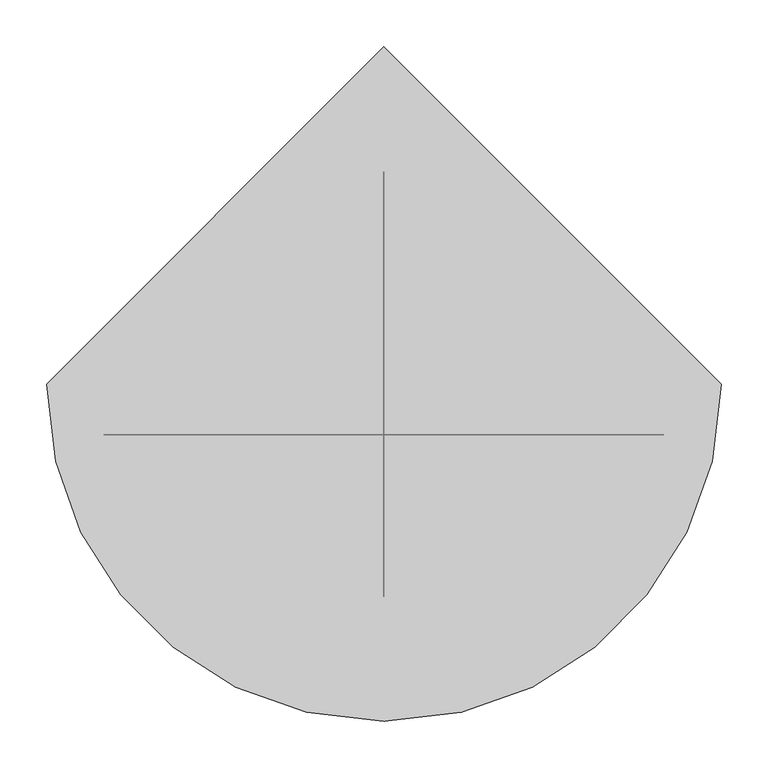
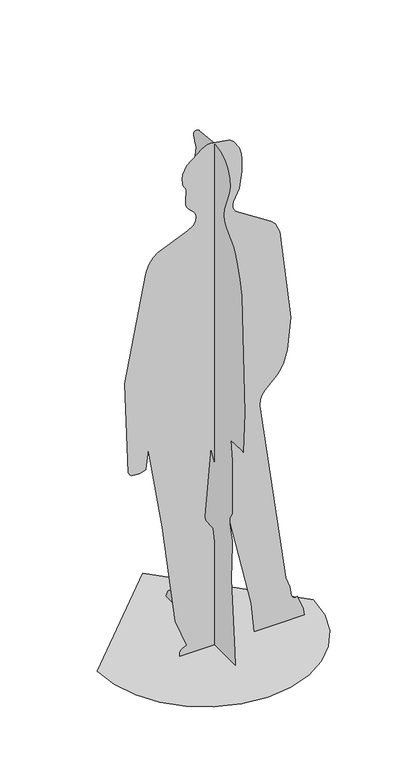
"""IFC4 building model written with IfcOpenShell, lengths in millimetres: proxy geometry."""

from ifc_helpers import new_model, si_unit, origin, place, context, project, spatial, triangles, source, transform, mapped, element, save


def entourage_0394f7b6(model_context):
    return source(origin(), model_context, "Body", "Tessellation", [
        triangles([(-117.149826, -54.2192196, 0.0), (-117.1651776, -54.2192196, 5.9668874), (-116.2257182, -54.2192196, 11.2908329), (-114.1990069, -54.2192196, 16.0246146), (-110.9487874, -54.2192196, 20.2200526), (-106.3426369, -54.2192196, 23.9299233), (-92.5232224, -54.2192196, 30.1060089), (-131.4701638, -54.2192196, 129.0202679), (-175.1604748, -54.2192196, 475.7580242), (-222.3821928, -54.2192196, 767.9406984), (-230.1656203, -54.2192196, 699.5134071), (-235.7141188, -54.2192196, 696.8034708), (-252.8135111, -54.2192196, 693.0705591), (-271.5672719, -54.2192196, 693.4227179), (-279.1846849, -54.2192196, 695.8179205), (-284.3598959, -54.2192196, 700.0603941), (-288.7942728, -54.2192196, 709.0155161), (-300.0380814, -54.2192196, 1027.779562), (-230.6060912, -54.2192196, 1391.1560738), (-226.4231343, -54.2192196, 1402.4037884), (-221.6912647, -54.2192196, 1413.4718628), (-216.4584809, -54.2192196, 1423.8837273), (-210.7698747, -54.2192196, 1433.1670269), (-204.6734445, -54.2192196, 1440.846936), (-189.6343552, -54.2192196, 1451.6252026), (-89.8842756, -54.2192196, 1494.9825851), (-71.747551, -54.2192196, 1507.2129433), (-63.0092944, -54.2192196, 1520.5333511), (-61.6725483, -54.2192196, 1534.6925159), (-63.8671908, -54.2192196, 1545.3268959), (-68.5856165, -54.2192196, 1553.4059086), (-87.7951952, -54.2192196, 1572.0070988), (-92.5232224, -54.2192196, 1579.5592541), (-95.9145034, -54.2192196, 1589.6917751), (-97.2061397, -54.2192196, 1598.308255), (-95.4740325, -54.2192196, 1641.5378838), (-96.3319289, -54.2192196, 1644.515609), (-97.9843898, -54.2192196, 1647.8886589), (-100.1204967, -54.2192196, 1651.4987583), (-102.4302848, -54.2192196, 1655.1874866), (-104.5999743, -54.2192196, 1658.7975861), (-106.3205634, -54.2192196, 1662.170636), (-107.2792258, -54.2192196, 1665.1483612), (-108.4230876, -54.2192196, 1683.4308208), (-105.9731827, -54.2192196, 1699.5696613), (-100.5907078, -54.2192196, 1713.7230125), (-92.9406479, -54.2192196, 1726.0522018), (-41.9073575, -54.2192196, 1768.6830299), (-23.8378005, -54.2192196, 1776.433865), (-13.1083432, -54.2192196, 1778.0000484), (45.7765254, -54.2192196, 1768.2972977), (52.0927097, -54.2192196, 1765.4942711), (63.2559136, -54.2192196, 1755.9912174), (81.7812909, -54.2192196, 1728.0616722), (88.7452099, -54.2192196, 1704.6000229), (91.0789973, -54.2192196, 1685.137112), (90.9475282, -54.2192196, 1642.2940876), (81.6066376, -54.2192196, 1585.4628181), (62.4047347, -54.2192196, 1543.9670952), (60.537325, -54.2192196, 1533.9496834), (60.9470793, -54.2192196, 1523.4841885), (69.4089674, -54.2192196, 1508.7943874), (187.9492654, -54.2192196, 1431.6201736), (202.6112339, -54.2192196, 1417.2355865), (217.8863916, -54.2192196, 1383.1912983), (254.1089808, -54.2192196, 1069.0535688), (242.364258, -54.2192196, 957.3562443), (229.1733843, -54.2192196, 912.5566532), (220.0531925, -54.2192196, 895.7642916), (208.0071436, -54.2192196, 880.6839621), (194.4218718, -54.2192196, 866.7791422), (180.6849923, -54.2192196, 853.5153442), (168.1831209, -54.2192196, 840.3571358), (158.3057987, -54.2192196, 826.7670496), (152.4387149, -54.2192196, 812.210598), (150.4446324, -54.2192196, 791.5933245), (238.0267865, -54.2192196, 154.0623804), (251.6370204, -54.2192196, 116.8321946), (256.996468, -54.2192196, 85.1121104), (259.9472872, -54.2192196, 78.4667766), (263.4038167, -54.2192196, 74.733874), (267.3257612, -54.2192196, 73.2493489), (271.6699365, -54.2192196, 73.3510687), (276.3950841, -54.2192196, 74.375938), (297.1717229, -54.2192196, 23.3148105), (300.0371367, -54.2192196, 0.0), (131.8280998, -54.2192196, 0.0), (122.3288704, -54.2192196, 103.0617143), (-12.8367721, -54.2192196, 700.0603941), (-32.6518678, -54.2192196, 465.9114232), (-30.5455124, -54.2192196, 452.1476558), (-28.5399163, -54.2192196, 446.8956871), (-9.3111464, -54.2192196, 418.9977533), (-6.9341794, -54.2192196, 413.7803029), (0.9020383, -54.2192196, 348.2760163), (3.9440186, -54.2192196, 338.8305173), (7.6318198, -54.2192196, 329.4099804), (11.5067456, -54.2192196, 320.0537564), (15.1043435, -54.2192196, 310.8021046), (17.965916, -54.2192196, 301.6953385), (20.1922222, -54.2192196, 275.8289123), (9.463725, -54.2192196, 194.8220472), (10.7735997, -54.2192196, 177.6727488), (25.5305615, -54.2192196, 136.3536412), (26.3020941, -54.2192196, 0.0), (0.0, -171.2567705, 45.1949975), (0.0, -150.874539, 290.639618), (0.0, -156.0132787, 413.7064339), (0.0, -155.0152837, 426.2860076), (0.0, -142.9452446, 479.8709272), (0.0, -142.1842627, 491.5446696), (0.0, -143.2100904, 503.020677), (0.0, -144.047839, 505.2450688), (0.0, -145.711809, 508.1738145), (0.0, -147.8757395, 511.5296053), (0.0, -150.2143231, 515.036041), (0.0, -152.400327, 518.4148318), (0.0, -154.1093978, 521.3887055), (0.0, -155.0152837, 523.6802444), (0.0, -156.6389491, 713.2963594), (0.0, -149.1126916, 780.4473478), (0.0, -210.0425026, 781.4050655), (0.0, -219.9447689, 780.4473478), (0.0, -227.680216, 923.8397581), (0.0, -210.5088623, 1326.6334133), (0.0, -200.0250727, 1381.4668396), (0.0, -183.9208049, 1432.731443), (0.0, -173.3612024, 1455.0203442), (0.0, -160.9178667, 1474.0122082), (0.0, -124.7336655, 1511.6875248), (0.0, -116.986691, 1522.764465), (0.0, -111.1138482, 1535.6011814), (0.0, -107.7935748, 1550.7467686), (0.0, -109.4844146, 1573.6183376), (0.0, -138.1807553, 1647.6468132), (0.0, -144.3654704, 1674.2838501), (0.0, -143.2321639, 1701.9783806), (0.0, -131.4049062, 1730.7792389), (0.0, -113.8084421, 1751.5885792), (0.0, -93.3148983, 1763.9963974), (0.0, -70.4587852, 1769.808688), (0.0, -45.7765254, 1770.832608), (0.0, 33.8705775, 1763.2439724), (0.0, 35.8723357, 1763.9599171), (0.0, 40.3067194, 1762.446492), (0.0, 46.2419358, 1759.1397171), (0.0, 52.7442914, 1754.4731415), (0.0, 58.8829475, 1748.8852558), (0.0, 63.7242081, 1742.8090279), (0.0, 66.3353223, 1736.6817856), (0.0, 66.7661872, 1728.2947975), (0.0, 65.1444384, 1720.0200119), (0.0, 62.192661, 1712.2874897), (0.0, 55.1980252, 1700.1665726), (0.0, 51.5783561, 1695.362796), (0.0, 72.2379144, 1580.2606647), (0.0, 61.7953787, 1563.4866886), (0.0, 54.5483647, 1508.4785637), (0.0, -4.4967569, 1482.8664642), (0.0, 4.8441373, 1466.163414), (0.0, 131.2648075, 892.5976244), (0.0, 131.4039524, 884.7393105), (0.0, 130.5335749, 877.3195599), (0.0, 128.9799633, 870.3824833), (0.0, 127.06649, 863.9703747), (0.0, 125.1175083, 858.1291615), (0.0, 123.4573716, 852.9002655), (0.0, 122.4104334, 848.3276522), (0.0, 121.9344631, 836.2039009), (0.0, 123.662737, 824.5599169), (0.0, 138.1893848, 779.9867655), (0.0, 140.1191726, 768.6412371), (0.0, 134.7798728, 638.2851677), (0.0, 137.1673996, 618.1236803), (0.0, 142.9922621, 588.3899938), (0.0, 150.2623034, 530.9435729), (0.0, 150.5262045, 510.814678), (0.0, 148.9725838, 491.2155109), (0.0, 104.7410359, 115.2804907), (0.0, 107.65443, 83.9308235), (0.0, 113.0014056, 72.9595455), (0.0, 123.907435, 63.6781444), (0.0, 138.4753503, 55.956123), (0.0, 154.8099183, 49.6658456), (0.0, 171.0159059, 44.676806), (0.0, 185.196145, 40.8613731), (0.0, 195.4573101, 38.0900056), (0.0, 202.9931691, 35.5086406), (0.0, 208.9821204, 32.4772168), (0.0, 213.7648408, 28.6934543), (0.0, 217.6848777, 23.8550733), (0.0, 221.0819088, 17.6607577), (0.0, 224.3004623, 9.8101468), (0.0, 227.680216, 0.0), (0.0, -172.9495269, 0.0), (-361.2442655, 0.0, 0.0), (-351.694158, -82.7735268, 0.0), (-324.4958181, -158.787528, 0.0), (-281.8265113, -225.8636663, 0.0), (-225.8646292, -281.8265113, 0.0), (-158.787528, -324.4948371, 0.0), (-82.7735268, -351.694158, 0.0), (0.0, -361.2442655, 0.0), (82.7735268, -351.694158, 0.0), (158.787528, -324.4958181, 0.0), (225.8646292, -281.8265113, 0.0), (281.8265113, -225.8636663, 0.0), (324.4958181, -158.787528, 0.0), (351.694158, -82.7735268, 0.0), (361.2442655, 0.0, 0.0), (0.0, 361.2442655, 0.0)], [[85, 86, 87], [105, 1, 2], [105, 2, 3], [105, 3, 4], [105, 4, 5], [105, 5, 6], [105, 6, 7], [85, 87, 88], [104, 105, 7], [104, 7, 8], [103, 104, 8], [102, 103, 8], [102, 8, 9], [101, 102, 9], [100, 101, 9], [99, 100, 9], [98, 99, 9], [97, 98, 9], [96, 97, 9], [95, 96, 9], [94, 95, 9], [93, 94, 9], [92, 93, 9], [91, 92, 9], [90, 91, 9], [90, 9, 10], [89, 90, 10], [83, 84, 85], [10, 11, 12], [10, 12, 13], [10, 13, 14], [10, 14, 15], [10, 15, 16], [10, 16, 17], [10, 17, 18], [89, 10, 18], [89, 18, 19], [89, 19, 20], [89, 20, 21], [89, 21, 22], [89, 22, 23], [89, 23, 24], [89, 24, 25], [89, 25, 26], [89, 26, 27], [89, 27, 28], [82, 83, 85], [82, 85, 88], [81, 82, 88], [80, 81, 88], [79, 80, 88], [78, 79, 88], [77, 78, 88], [76, 77, 88], [76, 88, 89], [76, 89, 28], [75, 76, 28], [74, 75, 28], [73, 74, 28], [72, 73, 28], [71, 72, 28], [70, 71, 28], [69, 70, 28], [68, 69, 28], [67, 68, 28], [66, 67, 28], [65, 66, 28], [64, 65, 28], [63, 64, 28], [62, 63, 28], [61, 62, 28], [61, 28, 29], [60, 61, 29], [59, 60, 29], [59, 29, 30], [59, 30, 31], [58, 59, 31], [57, 58, 31], [57, 31, 32], [57, 32, 33], [57, 33, 34], [57, 34, 35], [57, 35, 36], [56, 57, 36], [56, 36, 37], [55, 56, 37], [54, 55, 37], [53, 54, 37], [52, 53, 37], [51, 52, 37], [50, 51, 37], [49, 50, 37], [48, 49, 37], [47, 48, 37], [47, 37, 38], [46, 47, 38], [45, 46, 38], [44, 45, 38], [43, 44, 38], [43, 38, 39], [43, 39, 40], [43, 40, 41], [43, 41, 42], [193, 194, 195], [192, 193, 195], [191, 192, 195], [190, 191, 195], [189, 190, 195], [188, 189, 195], [187, 188, 195], [186, 187, 195], [185, 186, 195], [184, 185, 195], [183, 184, 195], [182, 183, 195], [181, 182, 195], [181, 195, 106], [180, 181, 106], [179, 180, 106], [122, 123, 124], [179, 106, 107], [178, 179, 107], [178, 107, 108], [178, 108, 109], [178, 109, 110], [178, 110, 111], [177, 178, 111], [177, 111, 112], [176, 177, 112], [175, 176, 112], [175, 112, 113], [174, 175, 113], [174, 113, 114], [174, 114, 115], [174, 115, 116], [173, 174, 116], [173, 116, 117], [173, 117, 118], [173, 118, 119], [173, 119, 120], [173, 120, 121], [172, 173, 121], [171, 172, 121], [170, 171, 121], [169, 170, 121], [168, 169, 121], [167, 168, 121], [157, 158, 159], [166, 167, 121], [165, 166, 121], [164, 165, 121], [163, 164, 121], [162, 163, 121], [161, 162, 121], [121, 122, 124], [160, 161, 121], [160, 121, 124], [160, 124, 125], [160, 125, 126], [160, 126, 127], [160, 127, 128], [160, 128, 129], [159, 160, 129], [159, 129, 130], [159, 130, 131], [159, 131, 132], [157, 159, 132], [157, 132, 133], [157, 133, 134], [156, 157, 134], [155, 156, 134], [155, 134, 135], [155, 135, 136], [155, 136, 137], [155, 137, 138], [155, 138, 139], [155, 139, 140], [155, 140, 141], [155, 141, 142], [155, 142, 143], [154, 155, 143], [153, 154, 143], [152, 153, 143], [151, 152, 143], [150, 151, 143], [149, 150, 143], [148, 149, 143], [147, 148, 143], [146, 147, 143], [145, 146, 143], [144, 145, 143], [210, 211, 196], [209, 210, 196], [209, 196, 197], [208, 209, 197], [208, 197, 198], [208, 198, 199], [207, 208, 199], [206, 207, 199], [206, 199, 200], [206, 200, 201], [206, 201, 202], [206, 202, 203], [206, 203, 204], [206, 204, 205]], closed=False),
    ])


if __name__ == "__main__":
    model = new_model("IFC4")
    model_context = context("Model", 3, world=origin())
    ifc_project = project(units=[si_unit("LENGTHUNIT", "METRE", prefix="MILLI")], contexts=[model_context])
    site = spatial("IfcSite", under=ifc_project)
    building = spatial("IfcBuilding", under=site)
    placement = place(None, origin())
    entourage_shape = entourage_0394f7b6(model_context)
    element("IfcBuildingElementProxy", 1, Name="Entourage", at=placement, inside=building, context=model_context, shape_type="MappedRepresentation", body=[
        mapped(entourage_shape, transform((0.0, 0.0, 0.0), x_axis=(1.0, 0.0, 0.0), y_axis=(0.0, 1.0, 0.0), z_axis=(0.0, 0.0, 1.0))),
    ])
    save(model, "model.ifc")
